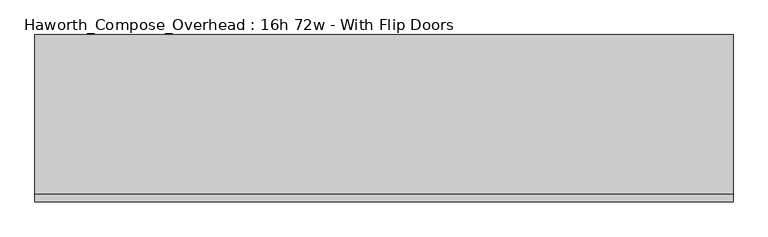
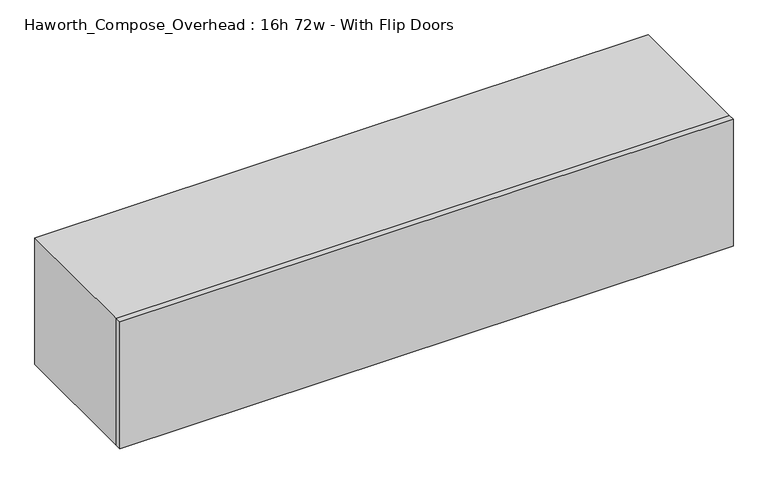
"""IFC4 building model written with IfcOpenShell, lengths in millimetres: furniture geometry, Haworth_Compose_Overhead : 16h 72w - With Flip Doors."""

from ifc_helpers import new_model, si_unit, frame, origin, place, context, project, spatial, polyline, outline, extrude, source, transform, mapped, element, save


def haworth_compose_overhead_16h_72w_with_flip_doors_2f080c8c(model_context):
    return source(origin(), model_context, "Body", "SweptSolid", [
        extrude(outline(polyline([(1079.5, -438.15), (-749.3, -438.15), (-749.3, -419.1), (1079.5, -419.1), (1079.5, -438.15)])), frame((0.0, 0.0, 1270.0), z_axis=(0.0, 0.0, 1.0), x_axis=(1.0, 0.0, 0.0)), (0.0, 0.0, 1.0), 400.05),
        extrude(outline(polyline([(1054.1, -6.35), (-723.9, -6.35), (-723.9, 0.0), (1054.1, 0.0), (1054.1, -6.35)])), frame((0.0, 0.0, 1295.4), z_axis=(0.0, 0.0, 1.0), x_axis=(1.0, 0.0, 0.0)), (0.0, 0.0, 1.0), 349.25),
        extrude(outline(polyline([(1270.0, 1079.5), (1670.05, 1079.5), (1670.05, -749.3), (1270.0, -749.3), (1270.0, 1079.5)]), holes=[polyline([(1644.65, 1054.1), (1295.4, 1054.1), (1295.4, -723.9), (1644.65, -723.9), (1644.65, 1054.1)])]), frame((0.0, -419.1, 0.0), z_axis=(0.0, 1.0, 0.0), x_axis=(0.0, 0.0, 1.0)), (0.0, 0.0, 1.0), 419.1),
    ])


if __name__ == "__main__":
    model = new_model("IFC4")
    model_context = context("Model", 3, world=origin())
    ifc_project = project(units=[si_unit("LENGTHUNIT", "METRE", prefix="MILLI")], contexts=[model_context])
    site = spatial("IfcSite", under=ifc_project)
    building = spatial("IfcBuilding", under=site)
    placement = place(None, origin())
    haworth_compose_overhead_16h_72w_with_flip_doors_shape = haworth_compose_overhead_16h_72w_with_flip_doors_2f080c8c(model_context)
    element("IfcFurniture", 1, ObjectType="Haworth_Compose_Overhead : 16h 72w - With Flip Doors", at=placement, inside=building, context=model_context, shape_type="MappedRepresentation", body=[
        mapped(haworth_compose_overhead_16h_72w_with_flip_doors_shape, transform((0.0, 0.0, 0.0), x_axis=(1.0, 0.0, 0.0), y_axis=(0.0, 1.0, 0.0), z_axis=(0.0, 0.0, 1.0))),
    ])
    save(model, "model.ifc")
